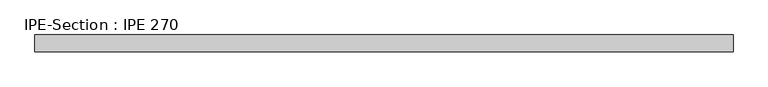
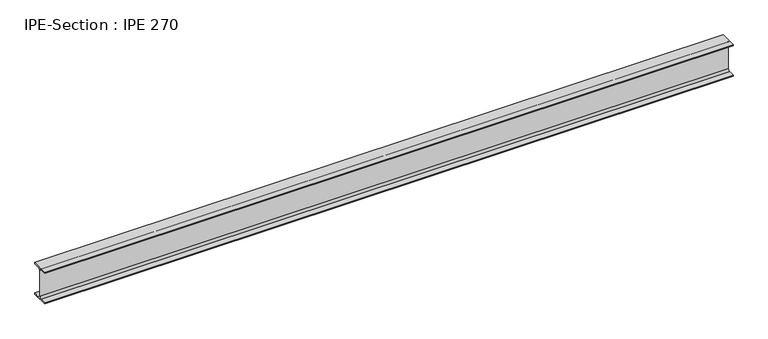
"""IFC4 building model written with IfcOpenShell, lengths in millimetres: beam geometry, IPE-Section : IPE 270."""

from ifc_helpers import new_model, si_unit, point, frame, frame_2d, origin, place, context, project, spatial, polyline, circle_curve, trimmed, segment, composite_curve, outline, extrude, source, transform, mapped, element, save


def ipe_section_ipe_270_9bd1a9c5(model_context):
    return source(origin(), model_context, "Body", "SweptSolid", [
        extrude(outline(composite_curve([segment(polyline([(-67.5, -124.8), (-18.3, -124.8)]), True, "CONTINUOUS"), segment(trimmed(circle_curve(frame_2d((-18.3, -109.8)), 15.0), [point((-18.3, -124.8))], [point((-3.3, -109.8))], True, "CARTESIAN"), True, "CONTINUOUS"), segment(polyline([(-3.3, -109.8), (-3.3, 109.8)]), True, "CONTINUOUS"), segment(trimmed(circle_curve(frame_2d((-18.3, 109.8)), 15.0), [point((-3.3, 109.8))], [point((-18.3, 124.8))], True, "CARTESIAN"), True, "CONTINUOUS"), segment(polyline([(-18.3, 124.8), (-67.5, 124.8), (-67.5, 135.0), (67.5, 135.0), (67.5, 124.8), (18.3, 124.8)]), True, "CONTINUOUS"), segment(trimmed(circle_curve(frame_2d((18.3, 109.8)), 15.0), [point((18.3, 124.8))], [point((3.3, 109.8))], True, "CARTESIAN"), True, "CONTINUOUS"), segment(polyline([(3.3, 109.8), (3.3, -109.8)]), True, "CONTINUOUS"), segment(trimmed(circle_curve(frame_2d((18.3, -109.8)), 15.0), [point((3.3, -109.8))], [point((18.3, -124.8))], True, "CARTESIAN"), True, "CONTINUOUS"), segment(polyline([(18.3, -124.8), (67.5, -124.8), (67.5, -135.0), (-67.5, -135.0), (-67.5, -124.8)]), True, "CONTINUOUS")], self_intersect=False)), frame((-2760.6367374, 0.0, 0.0), z_axis=(1.0, 0.0, 0.0), x_axis=(0.0, 1.0, 0.0)), (0.0, 0.0, 1.0), 5530.2918417),
    ])


if __name__ == "__main__":
    model = new_model("IFC4")
    model_context = context("Model", 3, world=origin())
    ifc_project = project(units=[si_unit("LENGTHUNIT", "METRE", prefix="MILLI")], contexts=[model_context])
    site = spatial("IfcSite", under=ifc_project)
    building = spatial("IfcBuilding", under=site)
    placement = place(None, origin())
    ipe_section_ipe_270_shape = ipe_section_ipe_270_9bd1a9c5(model_context)
    element("IfcBeam", 1, ObjectType="IPE-Section : IPE 270", at=placement, inside=building, context=model_context, shape_type="MappedRepresentation", body=[
        mapped(ipe_section_ipe_270_shape, transform((0.0, 0.0, 0.0), x_axis=(1.0, 0.0, 0.0), y_axis=(0.0, 1.0, 0.0), z_axis=(0.0, 0.0, 1.0))),
    ])
    save(model, "model.ifc")
